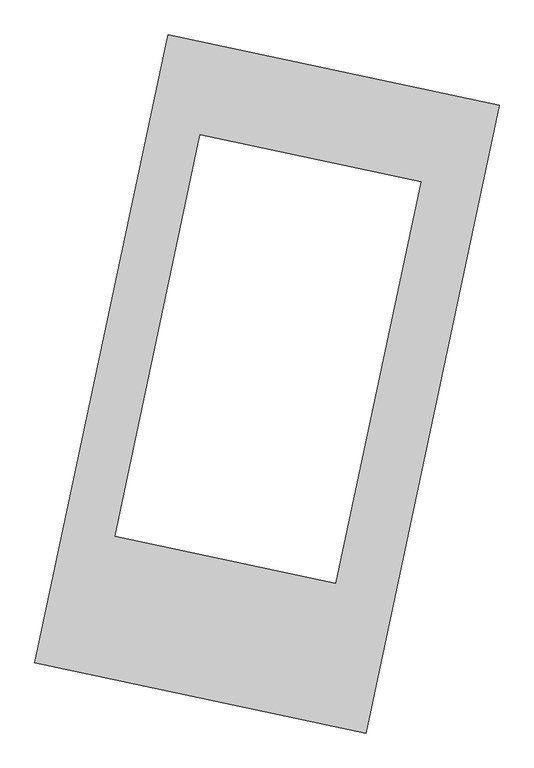
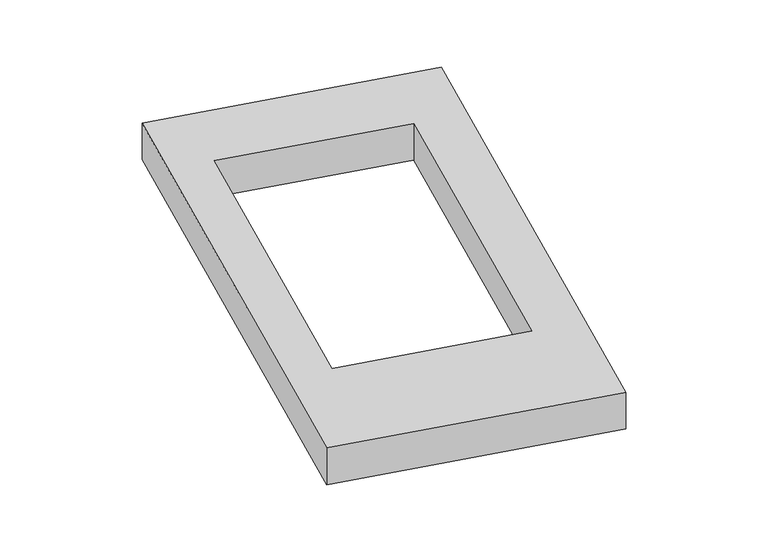
"""IFC4 building model written with IfcOpenShell, lengths in millimetres: proxy geometry."""

from ifc_helpers import new_model, si_unit, origin, origin_with_axes, place, context, project, spatial, polyline, outline, extrude, source, transform, mapped, element, save


def generic_models_b96bf889(model_context):
    return source(origin(), model_context, "Body", "SweptSolid", [
        extrude(outline(polyline([(-617.3692021, 2175.5580432), (1447.7508745, 1737.3010494), (617.3692021, -2175.5580432), (-1447.7508745, -1737.3010494), (-617.3692021, 2175.5580432)]), holes=[polyline([(958.8459377, 1261.0681908), (-416.8549912, 1553.017584), (-947.7115956, -948.4430823), (427.9893332, -1240.3924756), (958.8459377, 1261.0681908)])]), origin_with_axes(), (0.0, 0.0, 1.0), 300.0),
    ])


if __name__ == "__main__":
    model = new_model("IFC4")
    model_context = context("Model", 3, world=origin())
    ifc_project = project(units=[si_unit("LENGTHUNIT", "METRE", prefix="MILLI")], contexts=[model_context])
    site = spatial("IfcSite", under=ifc_project)
    building = spatial("IfcBuilding", under=site)
    placement = place(None, origin())
    generic_models_shape = generic_models_b96bf889(model_context)
    element("IfcBuildingElementProxy", 1, Name="Generic Models", at=placement, inside=building, context=model_context, shape_type="MappedRepresentation", body=[
        mapped(generic_models_shape, transform((0.0, 0.0, 0.0), x_axis=(1.0, 0.0, 0.0), y_axis=(0.0, 1.0, 0.0), z_axis=(0.0, 0.0, 1.0))),
    ])
    save(model, "model.ifc")
